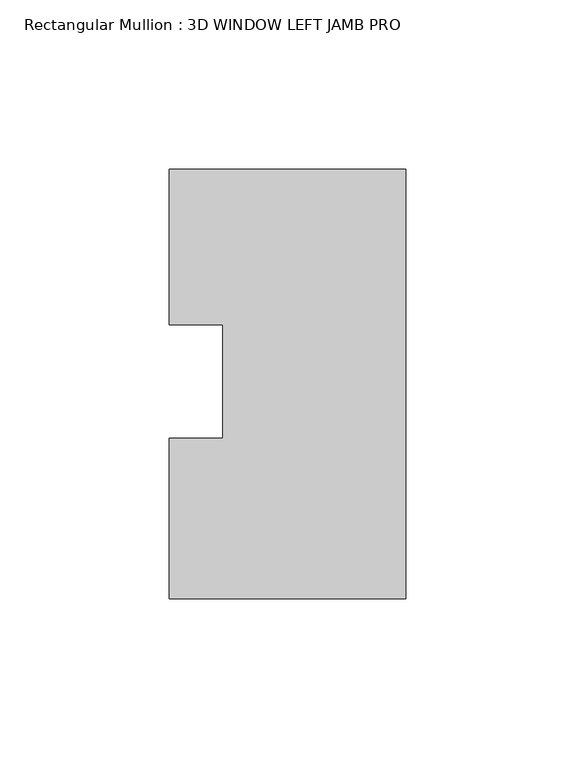
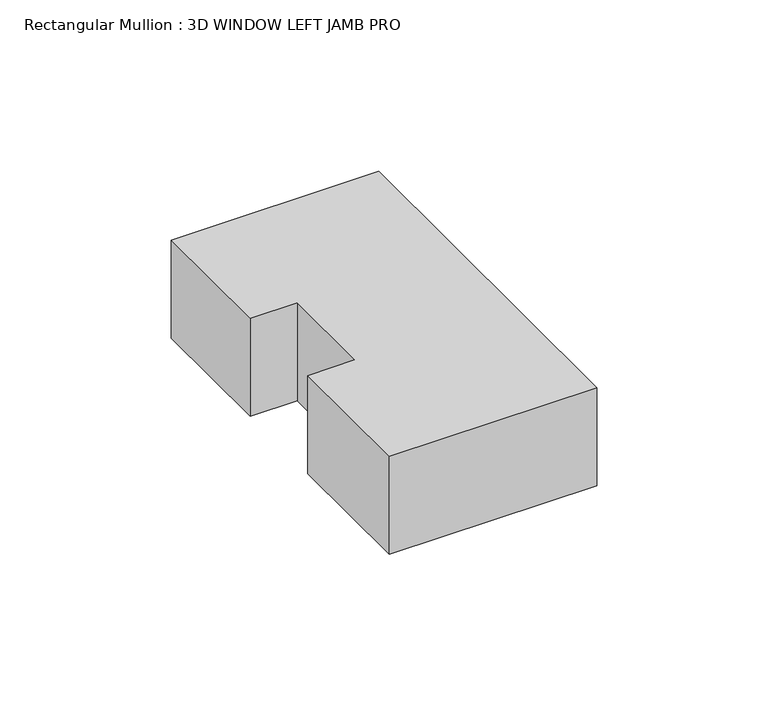
"""IFC4 building model written with IfcOpenShell, lengths in millimetres: member geometry, Rectangular Mullion : 3D WINDOW LEFT JAMB PRO."""

from ifc_helpers import new_model, si_unit, frame, origin, place, context, project, spatial, polyline, outline, extrude, source, transform, mapped, element, save


def rectangular_mullion_3d_window_left_jamb_pro_ef943044(model_context):
    return source(origin(), model_context, "Body", "SweptSolid", [
        extrude(outline(polyline([(-34.9711582, -63.5), (-34.9711582, -16.0459314), (-19.0961582, -16.0459314), (-19.0961582, 17.5167003), (-34.9711582, 17.5167003), (-34.9711582, 63.5), (34.9711582, 63.5), (34.9711582, -63.5), (-34.9711582, -63.5)])), frame((0.0, 0.0, -34.925), z_axis=(0.0, 0.0, 1.0), x_axis=(1.0, 0.0, 0.0)), (0.0, 0.0, 1.0), 34.925),
    ])


if __name__ == "__main__":
    model = new_model("IFC4")
    model_context = context("Model", 3, world=origin())
    ifc_project = project(units=[si_unit("LENGTHUNIT", "METRE", prefix="MILLI")], contexts=[model_context])
    site = spatial("IfcSite", under=ifc_project)
    building = spatial("IfcBuilding", under=site)
    placement = place(None, origin())
    rectangular_mullion_3d_window_left_jamb_pro_shape = rectangular_mullion_3d_window_left_jamb_pro_ef943044(model_context)
    element("IfcMember", 1, ObjectType="Rectangular Mullion : 3D WINDOW LEFT JAMB PRO", at=placement, inside=building, context=model_context, shape_type="MappedRepresentation", body=[
        mapped(rectangular_mullion_3d_window_left_jamb_pro_shape, transform((0.0, 0.0, 0.0), x_axis=(1.0, 0.0, 0.0), y_axis=(0.0, 1.0, 0.0), z_axis=(0.0, 0.0, 1.0))),
    ])
    save(model, "model.ifc")
